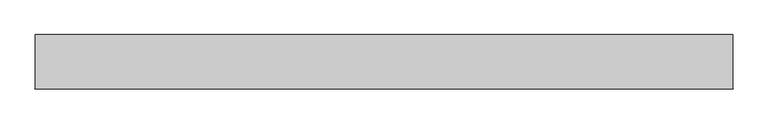
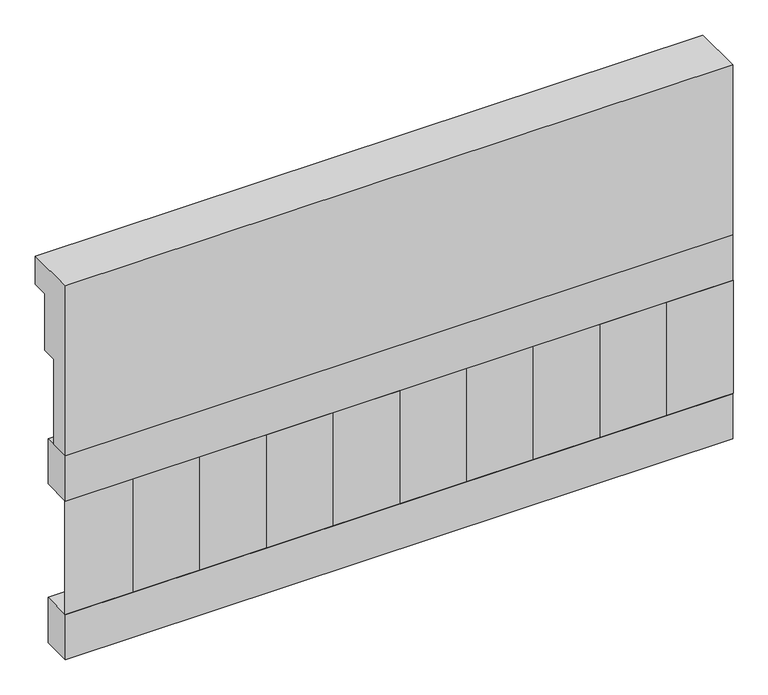
"""IFC4 building model written with IfcOpenShell, lengths in millimetres: railing geometry."""

from ifc_helpers import new_model, si_unit, frame, origin, place, context, project, spatial, polyline, outline, extrude, source, transform, mapped, element, save


def railing_1dfaced9(model_context):
    return source(origin(), model_context, "Body", "SweptSolid", [
        extrude(outline(polyline([(903.1079487, 15200.0), (1033.1079487, 15200.0), (1033.1079487, 15125.0), (993.1079487, 15125.0), (993.1079487, 14975.0), (953.1079487, 14975.0), (953.1079487, 14750.0), (903.1079487, 14750.0), (903.1079487, 15200.0)])), frame((15760.0112841, 0.0, 0.0), z_axis=(1.0, 0.0, 0.0), x_axis=(0.0, 1.0, 0.0)), (0.0, 0.0, 1.0), 1670.0),
        extrude(outline(polyline([(17430.0112841, 978.1079487), (17430.0112841, 903.1079487), (15760.0112841, 903.1079487), (15760.0112841, 978.1079487), (17430.0112841, 978.1079487)])), frame((0.0, 0.0, 14630.0), z_axis=(0.0, 0.0, 1.0), x_axis=(1.0, 0.0, 0.0)), (0.0, 0.0, 1.0), 120.0),
        extrude(outline(polyline([(17430.0112841, 978.1079487), (17430.0112841, 903.1079487), (15760.0112841, 903.1079487), (15760.0112841, 978.1079487), (17430.0112841, 978.1079487)])), frame((0.0, 0.0, 14210.0), z_axis=(0.0, 0.0, 1.0), x_axis=(1.0, 0.0, 0.0)), (0.0, 0.0, 1.0), 120.0),
        extrude(outline(polyline([(15843.5112841, 987.9607624), (15928.3640978, 903.1079487), (15758.6584704, 903.1079487), (15843.5112841, 987.9607624)])), frame((0.0, 0.0, 14330.0), z_axis=(0.0, 0.0, 1.0), x_axis=(1.0, 0.0, 0.0)), (0.0, 0.0, 1.0), 300.0),
        extrude(outline(polyline([(16010.5112841, 987.9607624), (16095.3640978, 903.1079487), (15925.6584704, 903.1079487), (16010.5112841, 987.9607624)])), frame((0.0, 0.0, 14330.0), z_axis=(0.0, 0.0, 1.0), x_axis=(1.0, 0.0, 0.0)), (0.0, 0.0, 1.0), 300.0),
        extrude(outline(polyline([(16177.5112841, 987.9607624), (16262.3640978, 903.1079487), (16092.6584704, 903.1079487), (16177.5112841, 987.9607624)])), frame((0.0, 0.0, 14330.0), z_axis=(0.0, 0.0, 1.0), x_axis=(1.0, 0.0, 0.0)), (0.0, 0.0, 1.0), 300.0),
        extrude(outline(polyline([(16344.5112841, 987.9607624), (16429.3640978, 903.1079487), (16259.6584704, 903.1079487), (16344.5112841, 987.9607624)])), frame((0.0, 0.0, 14330.0), z_axis=(0.0, 0.0, 1.0), x_axis=(1.0, 0.0, 0.0)), (0.0, 0.0, 1.0), 300.0),
        extrude(outline(polyline([(16511.5112841, 987.9607624), (16596.3640978, 903.1079487), (16426.6584704, 903.1079487), (16511.5112841, 987.9607624)])), frame((0.0, 0.0, 14330.0), z_axis=(0.0, 0.0, 1.0), x_axis=(1.0, 0.0, 0.0)), (0.0, 0.0, 1.0), 300.0),
        extrude(outline(polyline([(16678.5112841, 987.9607624), (16763.3640978, 903.1079487), (16593.6584704, 903.1079487), (16678.5112841, 987.9607624)])), frame((0.0, 0.0, 14330.0), z_axis=(0.0, 0.0, 1.0), x_axis=(1.0, 0.0, 0.0)), (0.0, 0.0, 1.0), 300.0),
        extrude(outline(polyline([(16845.5112841, 987.9607624), (16930.3640978, 903.1079487), (16760.6584704, 903.1079487), (16845.5112841, 987.9607624)])), frame((0.0, 0.0, 14330.0), z_axis=(0.0, 0.0, 1.0), x_axis=(1.0, 0.0, 0.0)), (0.0, 0.0, 1.0), 300.0),
        extrude(outline(polyline([(17012.5112841, 987.9607624), (17097.3640978, 903.1079487), (16927.6584704, 903.1079487), (17012.5112841, 987.9607624)])), frame((0.0, 0.0, 14330.0), z_axis=(0.0, 0.0, 1.0), x_axis=(1.0, 0.0, 0.0)), (0.0, 0.0, 1.0), 300.0),
        extrude(outline(polyline([(17179.5112841, 987.9607624), (17264.3640978, 903.1079487), (17094.6584704, 903.1079487), (17179.5112841, 987.9607624)])), frame((0.0, 0.0, 14330.0), z_axis=(0.0, 0.0, 1.0), x_axis=(1.0, 0.0, 0.0)), (0.0, 0.0, 1.0), 300.0),
        extrude(outline(polyline([(17346.5112841, 987.9607624), (17431.3640978, 903.1079487), (17261.6584704, 903.1079487), (17346.5112841, 987.9607624)])), frame((0.0, 0.0, 14330.0), z_axis=(0.0, 0.0, 1.0), x_axis=(1.0, 0.0, 0.0)), (0.0, 0.0, 1.0), 300.0),
    ])


if __name__ == "__main__":
    model = new_model("IFC4")
    model_context = context("Model", 3, world=origin())
    ifc_project = project(units=[si_unit("LENGTHUNIT", "METRE", prefix="MILLI")], contexts=[model_context])
    site = spatial("IfcSite", under=ifc_project)
    building = spatial("IfcBuilding", under=site)
    placement = place(None, origin())
    railing_shape = railing_1dfaced9(model_context)
    element("IfcRailing", 1, at=placement, inside=building, context=model_context, shape_type="MappedRepresentation", body=[
        mapped(railing_shape, transform((0.0, 0.0, 0.0), x_axis=(1.0, 0.0, 0.0), y_axis=(0.0, 1.0, 0.0), z_axis=(0.0, 0.0, 1.0))),
    ])
    save(model, "model.ifc")
